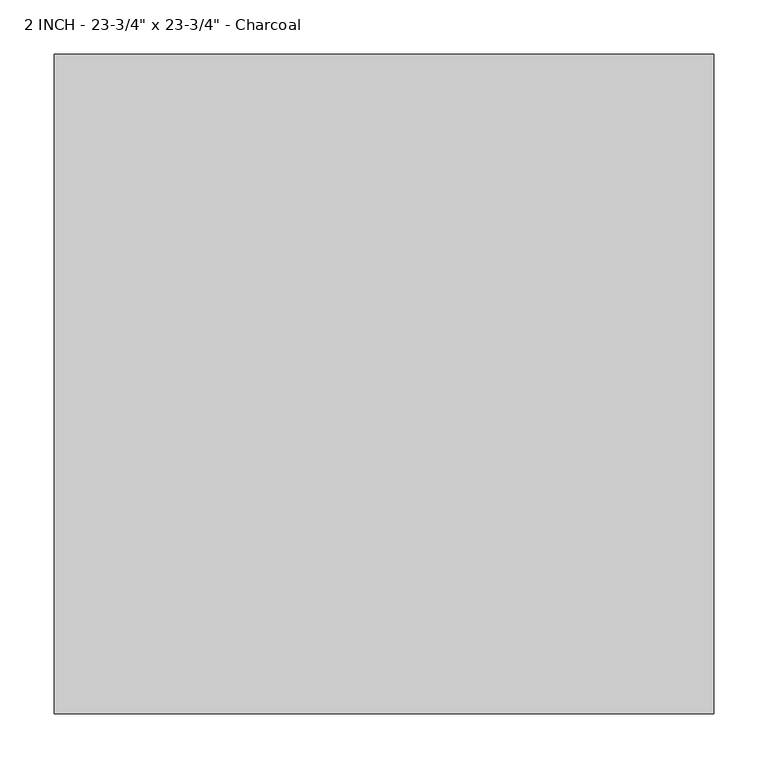
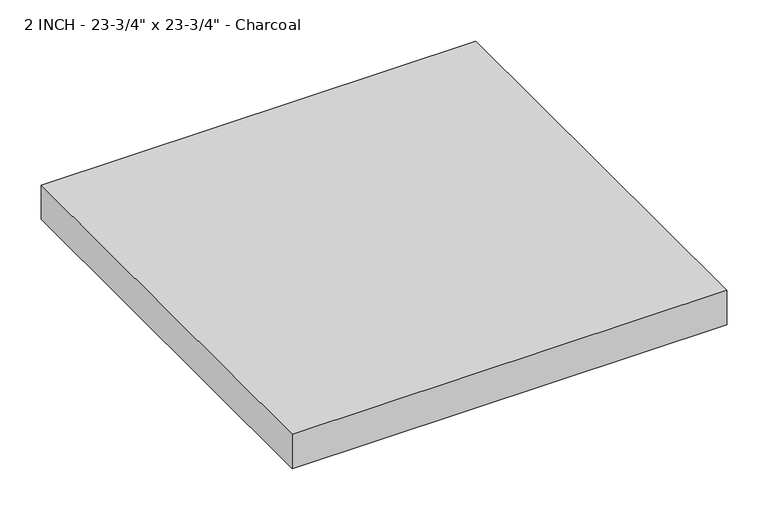
"""IFC4 building model written with IfcOpenShell, lengths in millimetres: proxy geometry."""

from ifc_helpers import new_model, si_unit, origin, origin_with_axes, place, context, project, spatial, polyline, outline, extrude, source, transform, mapped, element, save


def proxy_6957a6ce(model_context):
    return source(origin(), model_context, "Body", "SweptSolid", [
        extrude(outline(polyline([(-304.8, 304.8), (304.8, 304.8), (304.8, -304.8), (-304.8, -304.8), (-304.8, 304.8)])), origin_with_axes(), (0.0, 0.0, 1.0), 50.8),
    ])


if __name__ == "__main__":
    model = new_model("IFC4")
    model_context = context("Model", 3, world=origin())
    ifc_project = project(units=[si_unit("LENGTHUNIT", "METRE", prefix="MILLI")], contexts=[model_context])
    site = spatial("IfcSite", under=ifc_project)
    building = spatial("IfcBuilding", under=site)
    placement = place(None, origin())
    proxy_shape = proxy_6957a6ce(model_context)
    element("IfcBuildingElementProxy", 1, Name="2 INCH - 23-3/4\" x 23-3/4\" - Charcoal", ObjectType="2 INCH - 23-3/4\" x 23-3/4\" - Charcoal", at=placement, inside=building, context=model_context, shape_type="MappedRepresentation", body=[
        mapped(proxy_shape, transform((0.0, 0.0, 0.0), x_axis=(1.0, 0.0, 0.0), y_axis=(0.0, 1.0, 0.0), z_axis=(0.0, 0.0, 1.0))),
    ])
    save(model, "model.ifc")
